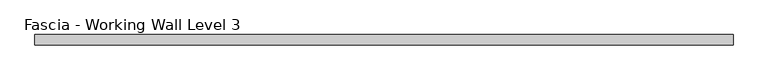
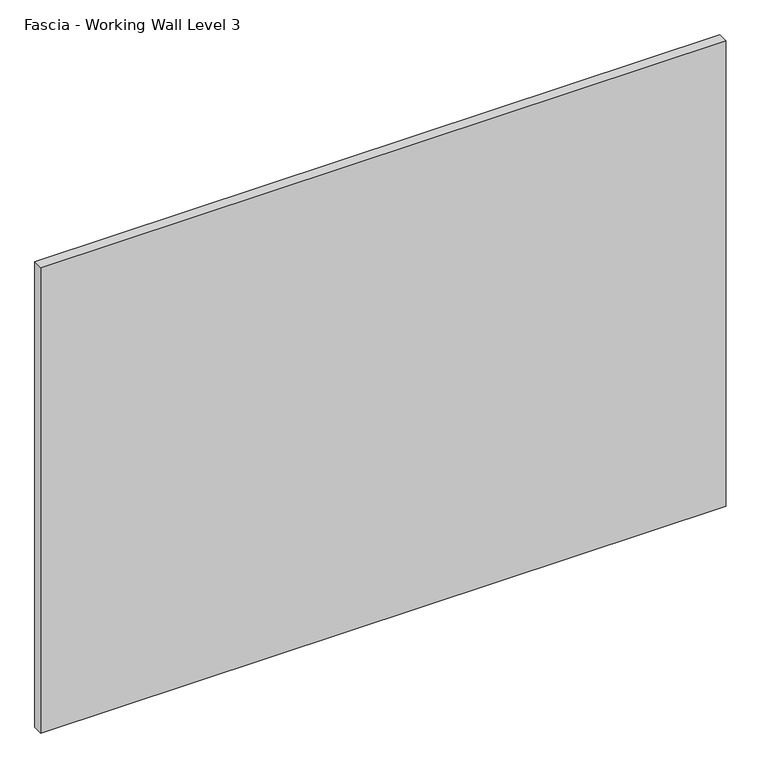
"""IFC4 building model written with IfcOpenShell, lengths in millimetres: proxy geometry, Fascia - Working Wall Level 3."""

from ifc_helpers import new_model, si_unit, origin, origin_with_axes, place, context, project, spatial, polyline, outline, extrude, source, transform, mapped, element, save


def fascia_working_wall_level_3_b273323a(model_context):
    return source(origin(), model_context, "Body", "SweptSolid", [
        extrude(outline(polyline([(-676.9277862, 24.22678), (515.3752112, 24.22678), (515.3752112, 6.75158), (-676.9277862, 6.75158), (-676.9277862, 24.22678)])), origin_with_axes(), (0.0, 0.0, 1.0), 855.9484),
    ])


if __name__ == "__main__":
    model = new_model("IFC4")
    model_context = context("Model", 3, world=origin())
    ifc_project = project(units=[si_unit("LENGTHUNIT", "METRE", prefix="MILLI")], contexts=[model_context])
    site = spatial("IfcSite", under=ifc_project)
    building = spatial("IfcBuilding", under=site)
    placement = place(None, origin())
    fascia_working_wall_level_3_shape = fascia_working_wall_level_3_b273323a(model_context)
    element("IfcBuildingElementProxy", 1, Name="Fascia - Working Wall Level 3", ObjectType="Fascia - Working Wall Level 3", at=placement, inside=building, context=model_context, shape_type="MappedRepresentation", body=[
        mapped(fascia_working_wall_level_3_shape, transform((0.0, 0.0, 0.0), x_axis=(1.0, 0.0, 0.0), y_axis=(0.0, 1.0, 0.0), z_axis=(0.0, 0.0, 1.0))),
    ])
    save(model, "model.ifc")
